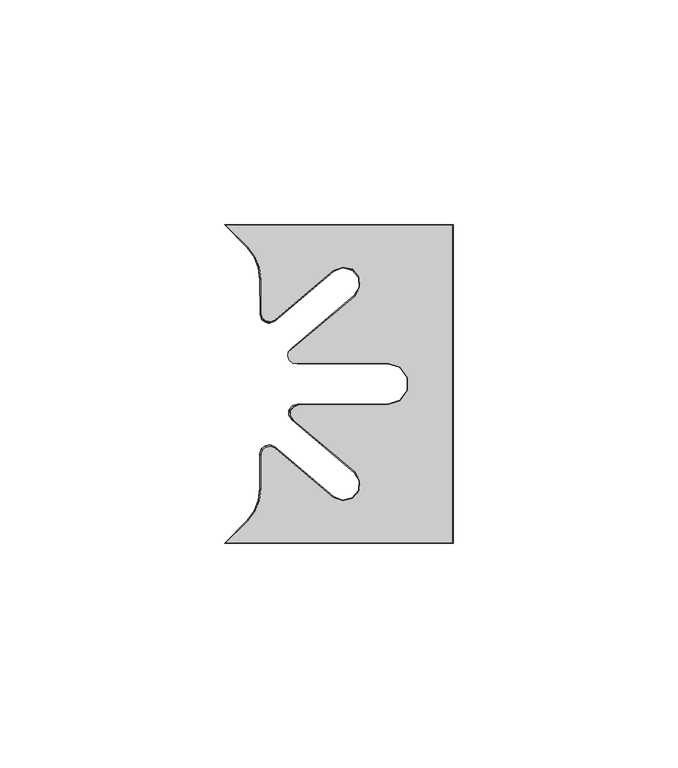
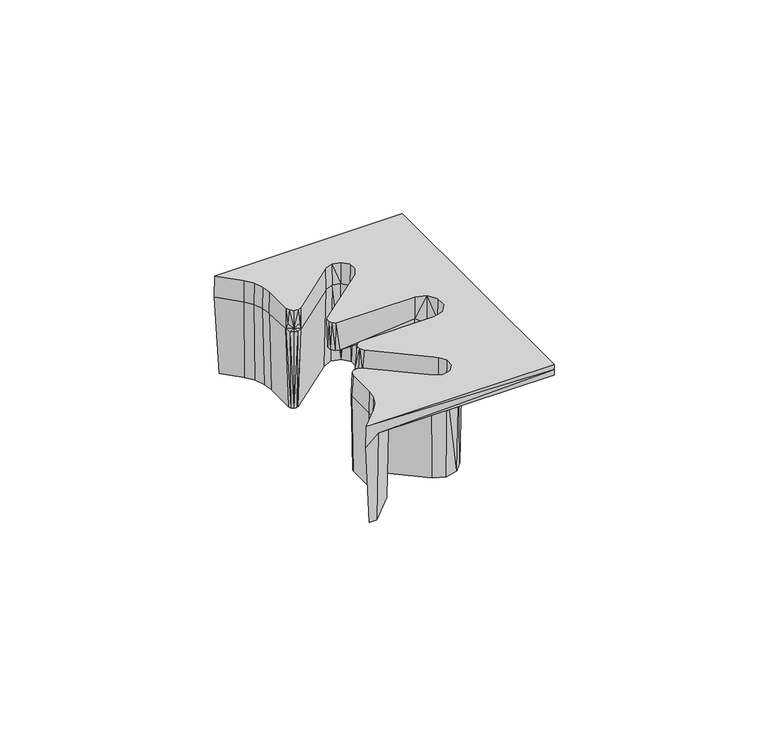
"""IFC4 building model written with IfcOpenShell, lengths in millimetres: furniture geometry."""

from ifc_helpers import new_model, si_unit, origin, place, context, project, spatial, triangles, source, transform, mapped, element, save


def furniture_f5b5aba5(model_context):
    return source(origin(), model_context, "Body", "Tessellation", [
        triangles([(3360.6388487, 3526.3541139, 716.9999851), (3362.7238413, 3526.3541139, 716.9999851), (3364.8878444, 3522.0261077, 716.9999851), (3369.404847, 3519.5491513, 716.9999851), (3366.5328385, 3519.849133, 716.9999851), (3367.564843, 3517.3231244, 716.9999851), (3367.9168383, 3514.6171123, 716.9999851), (3369.404847, 3506.9951211, 716.9999851), (3367.9168383, 3506.5380996, 716.9999851), (3368.1168442, 3505.8531123, 716.9999851), (3368.6528399, 3505.3831555, 716.9999851), (3369.3578477, 3505.275168, 716.9999851), (3370.010842, 3505.5621417, 716.9999851), (3383.4418354, 3516.832166, 716.9999851), (3382.4858436, 3517.97214, 716.9999851), (3385.6098354, 3519.2551286, 716.9999851), (3385.8058445, 3517.7781112, 716.9999851), (3388.9008409, 3518.4951459, 716.9999851), (3388.2698474, 3517.1361446, 716.9999851), (3391.1448354, 3515.9721168, 716.9999851), (3389.871839, 3515.1581403, 716.9999851), (3391.5168331, 3512.6151269, 716.9999851), (3389.9888377, 3512.6151269, 716.9999851), (3364.4768411, 3521.6221353, 739.0000231), (3359.4548366, 3526.7381021, 739.0000231), (3362.9068425, 3526.7911512, 741.9999853), (3359.6228496, 3526.7911512, 745.0000202), (3410.3408476, 3526.817167, 743.4999664), (3410.3148317, 3526.7911512, 741.9999853), (3385.6438449, 3519.6951453, 741.9999853), (3382.2058462, 3518.3061313, 741.9999853), (3369.8408487, 3519.7271201, 741.9999853), (3369.8408487, 3507.9311105, 741.9999853), (3410.3148317, 3455.8431562, 741.9999853), (3402.4978489, 3493.480103, 741.9999853), (3399.9548355, 3496.9801074, 741.9999853), (3391.8838347, 3512.2580993, 741.9999853), (3395.8408424, 3498.3171624, 741.9999853), (3389.9188383, 3509.1141051, 741.9999853), (3377.0518366, 3498.3171624, 741.9999853), (3362.9068425, 3455.8431562, 741.9999853), (3385.6438449, 3462.939162, 741.9999853), (3389.2418448, 3463.8361276, 741.9999853), (3391.6248388, 3466.6771606, 741.9999853), (3382.2058462, 3464.3281034, 741.9999853), (3369.8408487, 3462.9071145, 741.9999853), (3369.8408487, 3474.7031242, 741.9999853), (3391.8838347, 3470.3761354, 741.9999853), (3399.9548355, 3485.6541272, 741.9999853), (3402.4978489, 3489.1541316, 741.9999853), (3395.8408424, 3484.3171449, 741.9999853), (3389.9188383, 3473.5201295, 741.9999853), (3377.0518366, 3484.3171449, 741.9999853), (3391.6248388, 3515.9571468, 741.9999853), (3389.2418448, 3518.7981071, 741.9999853), (3410.3148317, 3526.7911512, 745.0000202), (3385.8068437, 3517.3581514, 745.0000202), (3387.9998421, 3516.8111644, 745.0000202), (3389.4528421, 3515.0801654, 745.0000202), (3364.5888437, 3521.7331023, 745.0000202), (3383.7118407, 3516.51111, 745.0000202), (3366.1678353, 3519.6411515, 745.0000202), (3367.1598351, 3517.2161542, 745.0000202), (3367.4978413, 3514.6171123, 745.0000202), (3370.7828334, 3505.663153, 745.0000202), (3367.4978413, 3507.1941642, 745.0000202), (3369.7578415, 3505.2111457, 745.0000202), (3368.6518407, 3505.3811208, 745.0000202), (3367.8108491, 3506.1191571, 745.0000202), (3389.6108448, 3512.8251432, 745.0000202), (3398.5778483, 3495.0851649, 745.0000202), (3400.2698417, 3492.7561647, 745.0000202), (3395.8408424, 3495.9741368, 745.0000202), (3388.4128438, 3510.908109, 745.0000202), (3374.6178464, 3495.9741368, 745.0000202), (3373.6808396, 3498.5471629, 744.9990028), (3373.914837, 3496.6551273, 745.0000202), (3373.5808458, 3497.5741119, 745.0000202), (3400.2698417, 3489.8781427, 745.0000202), (3410.3148317, 3455.8431562, 745.0000202), (3398.5778483, 3487.5491424, 745.0000202), (3389.6108448, 3469.8091642, 745.0000202), (3395.8408424, 3486.6600978, 745.0000202), (3388.4128438, 3471.7261256, 745.0000202), (3376.1078354, 3486.6600978, 745.0000202), (3374.8228484, 3483.129136, 745.0000202), (3374.9598495, 3486.299146, 745.0000202), (3374.2268456, 3485.3451345, 745.0000202), (3374.1758494, 3484.1441177, 745.0000202), (3389.4528421, 3467.5541419, 745.0000202), (3387.9998421, 3465.8231429, 745.0000202), (3385.8068437, 3465.276156, 745.0000202), (3383.7118407, 3466.1231246, 745.0000202), (3364.5888437, 3460.9011323, 745.0000202), (3359.6228496, 3455.8431562, 745.0000202), (3370.7828334, 3476.9711543, 745.0000202), (3367.4978413, 3468.0171224, 745.0000202), (3367.1598351, 3465.4181531, 745.0000202), (3366.1678353, 3462.9931558, 745.0000202), (3367.4978413, 3475.4401431, 745.0000202), (3369.7578415, 3477.4231616, 745.0000202), (3368.6518407, 3477.2531139, 745.0000202), (3367.8108491, 3476.5151502, 745.0000202), (3364.4768411, 3461.0120994, 739.0000231), (3359.4548366, 3455.8961326, 739.0000231), (3410.3408476, 3455.8171403, 743.4999664), (3362.7238413, 3456.2801208, 716.9999851), (3360.6388487, 3456.2801208, 716.9999851), (3369.404847, 3463.085156, 716.9999851), (3364.8878444, 3460.6081269, 716.9999851), (3388.8958448, 3511.5671531, 736.9999998), (3391.5728435, 3511.5671531, 736.9999998), (3388.8958448, 3471.0671542, 736.9999998), (3391.5728435, 3471.0671542, 736.9999998), (3389.9888377, 3470.0191077, 716.9999851), (3391.5168331, 3470.0191077, 716.9999851), (3390.8518482, 3510.2781329, 736.9999998), (3388.345842, 3510.9881187, 736.9999998), (3389.8628461, 3509.1801622, 736.9999998), (3376.8128432, 3498.2301038, 736.9999998), (3374.3718403, 3499.2631076, 737.0010172), (3373.750839, 3498.2881671, 736.9999998), (3373.800836, 3497.1341678, 736.9999998), (3374.5048446, 3496.2171453, 736.9999998), (3375.6068485, 3495.8691287, 737.0010172), (3395.8408424, 3495.8691287, 736.9999998), (3395.8408424, 3498.2301038, 736.9999998), (3398.5168419, 3495.0001411, 737.0069761), (3399.9038393, 3496.9101262, 736.9999998), (3400.170847, 3492.7241172, 736.9999998), (3402.4148416, 3493.4531425, 736.9999998), (3402.4148416, 3489.1811649, 736.9999998), (3400.170847, 3489.9101174, 736.9999998), (3399.9038393, 3485.7241084, 736.9999998), (3398.5168419, 3487.6341663, 736.9999998), (3395.8408424, 3484.4041309, 736.9999998), (3395.8408424, 3486.7651059, 736.9999998), (3376.8128432, 3484.4041309, 736.9999998), (3375.6068485, 3486.7651059, 736.9999998), (3374.5048446, 3486.4181068, 737.0230362), (3373.800836, 3485.5001395, 736.9999998), (3373.7498398, 3484.3451228, 737.0230362), (3374.3718403, 3483.371127, 736.9999998), (3388.345842, 3471.646116, 736.9999998), (3389.8628461, 3473.4541452, 736.9999998), (3390.8518482, 3472.3561017, 736.9999998), (3389.4578381, 3512.8631496, 739.0000231), (3388.3118325, 3511.0291045, 739.0000231), (3389.3078473, 3515.0211574, 739.0000231), (3387.9168348, 3516.6781057, 739.0000231), (3385.817835, 3517.2011115, 739.0000231), (3383.8128338, 3516.3911319, 739.0000231), (3367.3488497, 3506.8601003, 739.2920111), (3367.3408378, 3514.6171123, 739.0000231), (3370.6188354, 3505.3261096, 739.1710155), (3367.3408378, 3468.0171224, 739.0000231), (3367.3408378, 3475.7941186, 738.9990057), (3367.650848, 3476.8581525, 738.9009739), (3368.4908403, 3477.5971336, 738.8809896), (3369.5968411, 3477.7651466, 738.9009739), (3370.6128401, 3477.3190982, 738.9990057), (3383.8128338, 3466.2431028, 739.0000231), (3385.817835, 3465.4331231, 739.0000231), (3387.9168348, 3465.956129, 739.0000231), (3389.3078473, 3467.6131499, 739.0000231), (3389.4578381, 3469.7711578, 739.0000231), (3388.3118325, 3471.6051301, 739.0000231), (3391.1448354, 3466.6621179, 716.9999851), (3388.9008409, 3464.1391614, 716.9999851), (3385.6098354, 3463.3791061, 716.9999851), (3382.4858436, 3464.6621673, 716.9999851), (3369.404847, 3475.6391135, 716.9999851), (3367.9168383, 3476.0961351, 716.9999851), (3367.9168383, 3468.0171224, 716.9999851), (3366.5328385, 3462.7851016, 716.9999851), (3367.564843, 3465.3111102, 716.9999851), (3368.1168442, 3476.7811223, 716.9999851), (3368.6528399, 3477.2511518, 716.9999851), (3369.3578477, 3477.3591394, 716.9999851), (3370.010842, 3477.0721656, 716.9999851), (3383.4418354, 3465.8021413, 716.9999851), (3385.8058445, 3464.8561235, 716.9999851), (3388.2698474, 3465.4981628, 716.9999851), (3389.871839, 3467.476167, 716.9999851), (3367.7478442, 3505.6341577, 738.9979883), (3368.4908403, 3505.035139, 739.0000231), (3369.4278471, 3504.8511386, 738.9979883), (3366.0318334, 3519.5641214, 739.0000231), (3367.0078458, 3517.1750957, 739.0000231), (3375.6408399, 3486.8171376, 738.9939915), (3373.7778359, 3485.5091506, 738.7549799), (3374.3648459, 3483.3091396, 738.9939915), (3395.8408424, 3495.817097, 739.0000231), (3400.1208319, 3492.7081298, 739.0000231), (3400.1208319, 3489.9261048, 739.0000231), (3398.4858481, 3487.6760968, 739.0000231), (3395.8408424, 3486.8171376, 739.0000231), (3366.0318334, 3463.0701133, 739.0000231), (3367.0078458, 3465.459139, 739.0000231), (3367.5388454, 3506.2711101, 741.0320211), (3368.4998332, 3505.1181281, 740.1070049), (3370.0488484, 3505.1011233, 741.0320211)], [[1, 2, 3], [4, 3, 2], [3, 4, 5], [5, 4, 6], [7, 6, 4], [8, 7, 4], [7, 8, 9], [10, 9, 8], [10, 8, 11], [11, 8, 12], [12, 8, 13], [13, 8, 14], [14, 8, 15], [14, 15, 16], [14, 16, 17], [17, 16, 18], [17, 18, 19], [19, 18, 20], [19, 20, 21], [21, 20, 22], [21, 22, 23], [1, 3, 24], [1, 24, 25], [2, 1, 25], [2, 25, 26], [26, 25, 27], [28, 26, 27], [28, 29, 26], [29, 30, 26], [26, 30, 31], [26, 31, 32], [32, 31, 33], [34, 35, 29], [29, 35, 36], [29, 36, 37], [37, 36, 38], [37, 38, 39], [39, 38, 40], [41, 42, 34], [34, 42, 43], [34, 43, 44], [42, 41, 45], [45, 41, 46], [45, 46, 47], [34, 44, 48], [34, 48, 49], [34, 49, 50], [49, 48, 51], [51, 48, 52], [51, 52, 53], [34, 50, 35], [37, 54, 29], [29, 54, 55], [29, 55, 30], [28, 27, 56], [32, 4, 2], [32, 2, 26], [27, 57, 56], [56, 57, 58], [56, 58, 59], [27, 60, 57], [57, 60, 61], [61, 60, 62], [61, 62, 63], [63, 64, 61], [61, 64, 65], [65, 64, 66], [65, 66, 67], [67, 66, 68], [68, 66, 69], [56, 59, 70], [56, 70, 71], [56, 71, 72], [71, 70, 73], [73, 70, 74], [73, 74, 75], [75, 74, 76], [75, 76, 77], [77, 76, 78], [56, 72, 79], [56, 79, 80], [80, 79, 81], [80, 81, 82], [82, 81, 83], [82, 83, 84], [84, 83, 85], [84, 85, 86], [86, 85, 87], [86, 87, 88], [88, 89, 86], [82, 90, 80], [80, 90, 91], [80, 91, 92], [92, 93, 94], [92, 94, 95], [80, 92, 95], [96, 97, 93], [93, 97, 98], [93, 98, 99], [97, 96, 100], [100, 96, 101], [100, 101, 102], [102, 103, 100], [93, 99, 94], [95, 94, 104], [95, 104, 105], [106, 95, 41], [41, 95, 105], [41, 105, 107], [107, 105, 108], [41, 34, 106], [95, 106, 80], [41, 107, 46], [46, 107, 109], [105, 104, 108], [108, 104, 110], [111, 23, 112], [112, 23, 22], [113, 114, 115], [115, 114, 116], [112, 117, 111], [118, 111, 117], [118, 117, 119], [118, 119, 120], [118, 120, 121], [122, 121, 120], [122, 120, 123], [123, 120, 124], [124, 120, 125], [125, 120, 126], [126, 120, 127], [128, 126, 127], [128, 127, 129], [130, 128, 129], [130, 129, 131], [130, 131, 132], [130, 132, 133], [133, 132, 134], [133, 134, 135], [135, 134, 136], [135, 136, 137], [137, 136, 138], [137, 138, 139], [140, 139, 138], [140, 138, 141], [141, 138, 142], [142, 138, 143], [143, 138, 144], [144, 138, 145], [144, 145, 146], [144, 146, 113], [113, 146, 114], [117, 112, 37], [37, 112, 22], [37, 22, 54], [54, 22, 20], [54, 20, 55], [55, 20, 18], [55, 18, 16], [16, 15, 31], [16, 31, 30], [16, 30, 55], [37, 39, 117], [117, 39, 119], [147, 111, 148], [148, 111, 118], [147, 149, 21], [147, 21, 23], [147, 23, 111], [21, 149, 19], [19, 149, 150], [19, 150, 151], [151, 152, 14], [151, 14, 17], [151, 17, 19], [61, 152, 151], [61, 151, 57], [57, 151, 150], [57, 150, 58], [58, 150, 149], [58, 149, 59], [59, 149, 147], [59, 147, 70], [70, 147, 74], [74, 147, 148], [153, 66, 64], [153, 64, 154], [61, 65, 155], [61, 155, 152], [97, 100, 156], [156, 100, 157], [157, 100, 103], [157, 103, 158], [158, 103, 102], [158, 102, 159], [159, 102, 160], [160, 102, 101], [160, 101, 161], [161, 101, 96], [106, 34, 29], [106, 29, 28], [163, 162, 93], [163, 93, 92], [163, 92, 91], [163, 91, 164], [164, 91, 90], [164, 90, 165], [165, 90, 82], [165, 82, 166], [166, 82, 84], [166, 84, 167], [116, 114, 48], [116, 48, 44], [116, 44, 168], [168, 44, 43], [168, 43, 169], [169, 43, 42], [169, 42, 170], [170, 42, 45], [170, 45, 171], [48, 114, 146], [48, 146, 52], [52, 146, 145], [172, 47, 109], [109, 47, 46], [157, 173, 174], [157, 174, 156], [108, 110, 107], [107, 110, 109], [109, 110, 175], [109, 175, 176], [109, 176, 174], [109, 174, 172], [173, 172, 174], [172, 173, 177], [177, 178, 172], [172, 178, 179], [172, 179, 180], [180, 181, 172], [172, 181, 171], [171, 181, 170], [170, 181, 182], [170, 182, 169], [169, 182, 183], [169, 183, 168], [168, 183, 184], [168, 184, 116], [116, 184, 115], [181, 162, 163], [181, 163, 182], [182, 163, 164], [182, 164, 183], [183, 164, 165], [183, 165, 184], [184, 165, 166], [184, 166, 115], [115, 166, 113], [113, 166, 167], [113, 167, 144], [13, 14, 155], [155, 14, 152], [153, 9, 10], [153, 10, 185], [185, 10, 11], [185, 11, 186], [186, 11, 187], [187, 11, 12], [155, 187, 12], [155, 12, 13], [188, 24, 3], [188, 3, 5], [189, 188, 5], [189, 5, 6], [189, 6, 7], [7, 154, 189], [138, 53, 145], [145, 53, 52], [138, 136, 53], [53, 136, 51], [51, 136, 134], [51, 134, 49], [49, 134, 132], [49, 132, 50], [50, 132, 131], [50, 131, 35], [35, 131, 129], [35, 129, 36], [36, 129, 38], [38, 129, 127], [120, 40, 127], [127, 40, 38], [8, 4, 33], [33, 4, 32], [120, 119, 40], [40, 119, 39], [8, 33, 15], [15, 33, 31], [172, 171, 47], [47, 171, 45], [28, 56, 80], [28, 80, 106], [78, 76, 122], [122, 76, 121], [122, 123, 78], [78, 123, 77], [77, 123, 124], [77, 124, 75], [75, 124, 125], [190, 139, 140], [191, 140, 141], [191, 141, 142], [142, 143, 192], [85, 190, 87], [87, 190, 140], [87, 140, 191], [142, 89, 191], [191, 89, 88], [191, 88, 87], [142, 192, 89], [89, 192, 86], [73, 75, 193], [193, 75, 125], [167, 84, 86], [167, 86, 192], [162, 181, 161], [161, 181, 180], [161, 96, 162], [162, 96, 93], [73, 193, 71], [71, 193, 128], [71, 128, 194], [71, 194, 72], [72, 194, 195], [72, 195, 79], [79, 195, 196], [79, 196, 81], [81, 196, 197], [81, 197, 83], [198, 104, 94], [198, 94, 99], [199, 198, 99], [199, 99, 98], [199, 98, 97], [97, 156, 199], [76, 74, 148], [76, 148, 121], [148, 118, 121], [83, 197, 85], [85, 197, 190], [197, 137, 190], [190, 137, 139], [153, 200, 66], [66, 200, 69], [69, 200, 201], [69, 201, 68], [67, 68, 201], [67, 201, 202], [67, 202, 65], [65, 202, 155], [199, 156, 174], [199, 174, 176], [198, 199, 176], [198, 176, 175], [104, 198, 175], [104, 175, 110], [161, 180, 160], [160, 180, 179], [160, 179, 159], [159, 179, 178], [159, 178, 177], [159, 177, 158], [158, 177, 173], [157, 158, 173], [143, 144, 192], [192, 144, 167], [126, 128, 193], [128, 130, 194], [194, 130, 133], [194, 133, 195], [195, 133, 135], [195, 135, 196], [197, 196, 135], [197, 135, 137], [125, 126, 193], [9, 153, 7], [7, 153, 154], [25, 24, 27], [27, 24, 60], [60, 24, 62], [62, 24, 188], [62, 188, 63], [63, 188, 189], [63, 189, 64], [64, 189, 154], [153, 185, 201], [153, 201, 200], [185, 186, 201], [201, 186, 187], [201, 187, 155], [201, 155, 202]]),
    ])


if __name__ == "__main__":
    model = new_model("IFC4")
    model_context = context("Model", 3, world=origin())
    ifc_project = project(units=[si_unit("LENGTHUNIT", "METRE", prefix="MILLI")], contexts=[model_context])
    site = spatial("IfcSite", under=ifc_project)
    building = spatial("IfcBuilding", under=site)
    placement = place(None, origin())
    furniture_shape = furniture_f5b5aba5(model_context)
    element("IfcFurniture", 1, at=placement, inside=building, context=model_context, shape_type="MappedRepresentation", body=[
        mapped(furniture_shape, transform((0.0, 0.0, 0.0), x_axis=(1.0, 0.0, 0.0), y_axis=(0.0, 1.0, 0.0), z_axis=(0.0, 0.0, 1.0))),
    ])
    save(model, "model.ifc")
